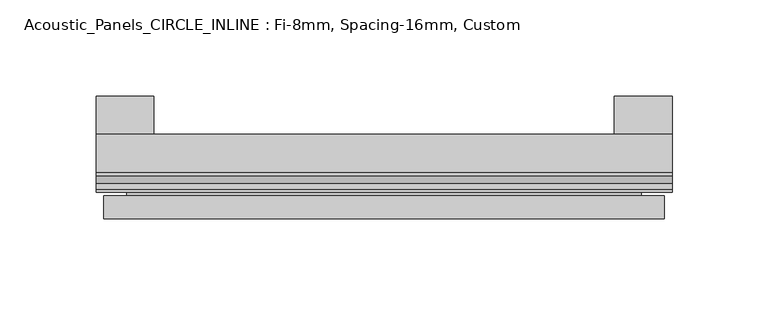
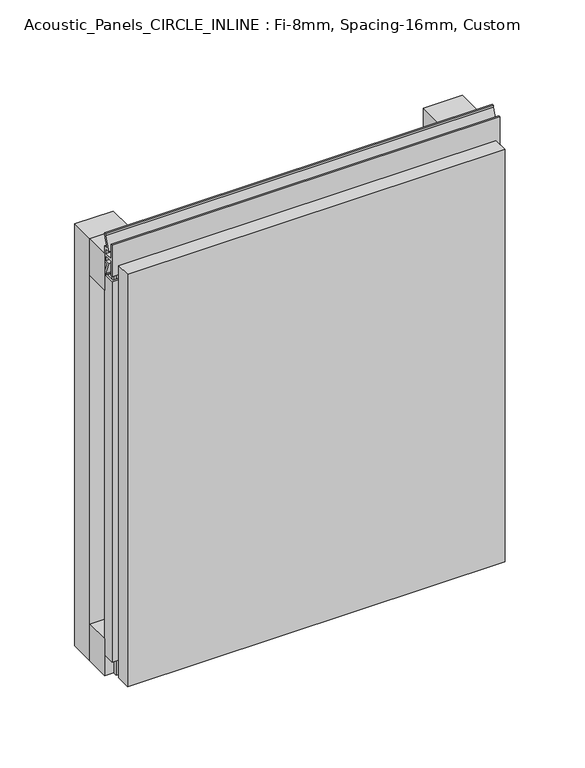
"""IFC4 building model written with IfcOpenShell, lengths in millimetres: plate geometry, Acoustic_Panels_CIRCLE_INLINE : Fi-8mm, Spacing-16mm, Custom."""

from ifc_helpers import new_model, si_unit, frame, origin, origin_with_axes, place, context, project, spatial, polyline, outline, extrude, faceted_brep, source, transform, mapped, element, save


def acoustic_panels_circle_inline_fi_8mm_spacing_16mm_custom_16cfd319(model_context):
    return source(origin(), model_context, "Body", "SolidModel", [
        extrude(outline(polyline([(-150.0, -40.0), (-150.0, -20.0), (150.0, -20.0), (150.0, -40.0), (-150.0, -40.0)])), frame((0.0, 0.0, 315.0), z_axis=(0.0, 0.0, 1.0), x_axis=(1.0, 0.0, 0.0)), (0.0, 0.0, 1.0), 30.0),
        extrude(outline(polyline([(-150.0, -40.0), (-150.0, -20.0), (150.0, -20.0), (150.0, -40.0), (-150.0, -40.0)])), origin_with_axes(), (0.0, 0.0, 1.0), 30.0),
        extrude(outline(polyline([(120.0, 0.0), (150.0, 0.0), (150.0, -20.0), (120.0, -20.0), (120.0, 0.0)])), origin_with_axes(), (0.0, 0.0, 1.0), 345.0),
        extrude(outline(polyline([(-120.0, 0.0), (-120.0, -20.0), (-150.0, -20.0), (-150.0, 0.0), (-120.0, 0.0)])), origin_with_axes(), (0.0, 0.0, 1.0), 345.0),
        extrude(outline(polyline([(-143.700916, -40.0), (-143.700916, -43.5), (-134.6441401, -40.0553267), (-127.008452, -40.0553267), (-127.008452, -41.4553267), (-134.4296606, -41.4553267), (-145.100916, -45.5140545), (-145.100916, -41.4), (-148.5843193, -41.4), (-148.5843193, -48.7), (-136.5843193, -48.7), (-136.5843193, -50.1), (-150.0, -50.1), (-150.0, -40.0), (-143.700916, -40.0)])), frame((0.0, 0.0, 16.9558599), z_axis=(0.0, 0.0, 1.0), x_axis=(1.0, 0.0, 0.0)), (0.0, 0.0, 1.0), 311.0882802),
        extrude(outline(polyline([(-48.7, 345.899084), (-41.4, 345.899084), (-41.4, 349.899084), (-45.5140545, 349.899084), (-41.4553267, 360.5703394), (-41.4553267, 361.9558599), (-40.0553267, 361.9558599), (-40.0553267, 360.3558599), (-43.5, 351.299084), (-40.0, 351.299084), (-40.0, 338.700916), (-43.5, 338.700916), (-40.0553267, 329.6441401), (-40.0553267, 328.0441401), (-41.4553267, 328.0441401), (-41.4553267, 329.4296606), (-45.5140545, 340.100916), (-41.4, 340.100916), (-41.4, 344.100916), (-48.7, 344.100916), (-48.7, 332.100916), (-50.1, 332.100916), (-50.1, 357.899084), (-48.7, 357.899084), (-48.7, 345.899084)])), frame((-150.0, 0.0, 0.0), z_axis=(1.0, 0.0, 0.0), x_axis=(0.0, 1.0, 0.0)), (0.0, 0.0, 1.0), 300.0),
        faceted_brep([(146.0, -45.9, 341.0), (-146.0, -45.9, 341.0), (-146.0, -48.7, 341.0), (146.0, -48.7, 341.0), (-146.0, -63.9, 341.0), (146.0, -63.9, 341.0), (146.0, -51.9, 341.0), (-146.0, -51.9, 341.0), (-146.0, -45.9, 4.0), (146.0, -45.9, 4.0), (146.0, -48.7, 4.0), (-146.0, -48.7, 4.0), (146.0, -63.9, 4.0), (-146.0, -63.9, 4.0), (-146.0, -51.9, 4.0), (146.0, -51.9, 4.0), (134.0, -51.9, 329.0), (134.0, -51.9, 16.0), (134.0, -48.7, 16.0), (134.0, -48.7, 329.0), (-134.0, -51.9, 16.0), (-134.0, -48.7, 16.0), (-134.0, -51.9, 329.0), (-134.0, -48.7, 329.0)], [[[0, 1, 2, 3]], [[4, 5, 6, 7]], [[8, 9, 10, 11]], [[12, 13, 14, 15]], [[1, 0, 9, 8]], [[1, 8, 11, 2]], [[13, 4, 7, 14]], [[5, 4, 13, 12]], [[9, 0, 3, 10]], [[5, 12, 15, 6]], [[16, 17, 18, 19]], [[18, 17, 20, 21]], [[21, 20, 22, 23]], [[16, 19, 23, 22]], [[7, 6, 15, 14], [17, 16, 22, 20]], [[3, 2, 11, 10], [19, 18, 21, 23]]]),
    ])


if __name__ == "__main__":
    model = new_model("IFC4")
    model_context = context("Model", 3, world=origin())
    ifc_project = project(units=[si_unit("LENGTHUNIT", "METRE", prefix="MILLI")], contexts=[model_context])
    site = spatial("IfcSite", under=ifc_project)
    building = spatial("IfcBuilding", under=site)
    placement = place(None, origin())
    acoustic_panels_circle_inline_fi_8mm_spacing_16mm_custom_shape = acoustic_panels_circle_inline_fi_8mm_spacing_16mm_custom_16cfd319(model_context)
    element("IfcPlate", 1, ObjectType="Acoustic_Panels_CIRCLE_INLINE : Fi-8mm, Spacing-16mm, Custom", at=placement, inside=building, context=model_context, shape_type="MappedRepresentation", body=[
        mapped(acoustic_panels_circle_inline_fi_8mm_spacing_16mm_custom_shape, transform((0.0, 0.0, 0.0), x_axis=(1.0, 0.0, 0.0), y_axis=(0.0, 1.0, 0.0), z_axis=(0.0, 0.0, 1.0))),
    ])
    save(model, "model.ifc")
